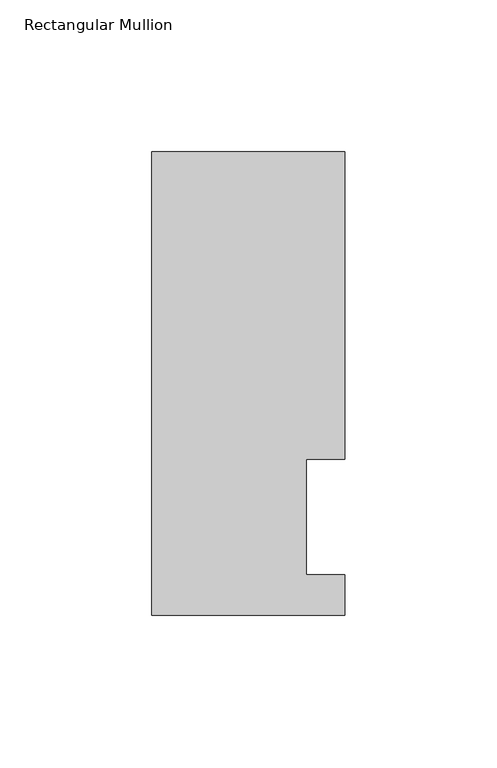
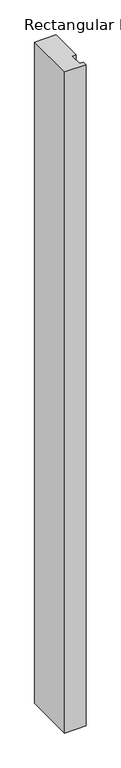
"""IFC4 building model written with IfcOpenShell, lengths in millimetres: member geometry, Rectangular Mullion."""

import ifcopenshell
import ifcopenshell.guid

model = None  # the IFC model being written
_history = None  # IfcOwnerHistory: only IFC2X3 demands one
_inside = {}  # id of a spatial element -> (the spatial element, [elements in it])
_under = {}  # id of a project, library or spatial element -> (it, [spatial elements below it])
_declared = {}  # id of a project -> (the project, [libraries it declares])
_typed = {}  # id of a type object -> (the type object, [elements of that type])
_made_of = {}  # id of a material, layer set ... -> (it, [elements and type objects made of it])


def new_model(schema):
    """Start an empty IFC model of exactly this schema.

    Asked for "IFC4X3", IfcOpenShell would pick the latest addendum, in which some entities
    have other attributes; the version numbers below select the first issue.
    IFC2X3 requires an IfcOwnerHistory on every rooted entity: one is made here for all.
    """
    global model, _history
    if schema == "IFC4X3":
        model = ifcopenshell.file(schema_version=(4, 3, 0, 0))
    else:
        model = ifcopenshell.file(schema=schema)
    _inside.clear()
    _under.clear()
    _declared.clear()
    _typed.clear()
    _made_of.clear()
    _history = None
    if model.schema == "IFC2X3":
        org = make("IfcOrganization", Name="unknown")
        user = make(
            "IfcPersonAndOrganization",
            ThePerson=make("IfcPerson", FamilyName="unknown"),
            TheOrganization=org,
        )
        app = make(
            "IfcApplication",
            ApplicationDeveloper=org,
            Version="unknown",
            ApplicationFullName="unknown",
            ApplicationIdentifier="unknown",
        )
        _history = make(
            "IfcOwnerHistory",
            OwningUser=user,
            OwningApplication=app,
            ChangeAction="ADDED",
            CreationDate=0,
        )
    return model


def make(cls, **values):
    """One entity of the class cls with the attributes given. An attribute that is None is left unset."""
    return model.create_entity(
        cls, **{name: value for name, value in values.items() if value is not None}
    )


def rooted(cls, **values):
    """An entity with a GlobalId (a new one), such as an element, a storey or a relation."""
    return make(cls, GlobalId=ifcopenshell.guid.new(), OwnerHistory=_history, **values)


def si_unit(unit_type, name, prefix=None):
    """IfcSIUnit, for example si_unit("LENGTHUNIT", "METRE", prefix="MILLI")."""
    return make("IfcSIUnit", UnitType=unit_type, Prefix=prefix, Name=name)


def assignment(units):
    """IfcUnitAssignment: the units of a project."""
    return None if units is None else make("IfcUnitAssignment", Units=units)


def point(xyz):
    """IfcCartesianPoint."""
    return None if xyz is None else make("IfcCartesianPoint", Coordinates=xyz)


def direction(xyz):
    """IfcDirection."""
    return None if xyz is None else make("IfcDirection", DirectionRatios=xyz)


def frame(location, z_axis=None, x_axis=None):
    """IfcAxis2Placement3D, a coordinate frame: its origin and axes. An axis left out is left unset."""
    return make(
        "IfcAxis2Placement3D",
        Location=point(location),
        Axis=direction(z_axis),
        RefDirection=direction(x_axis),
    )


def origin():
    """The frame at (0, 0, 0) with its axes left unset."""
    return frame((0.0, 0.0, 0.0))


def place(relative_to, where):
    """IfcLocalPlacement: puts the frame where relative to a parent placement (None: the world)."""
    return make(
        "IfcLocalPlacement", PlacementRelTo=relative_to, RelativePlacement=where
    )


def context(
    kind, dimensions, precision=None, world=None, true_north=None, identifier=None
):
    """IfcGeometricRepresentationContext, for example the 3D "Model" context."""
    return make(
        "IfcGeometricRepresentationContext",
        ContextIdentifier=identifier,
        ContextType=kind,
        CoordinateSpaceDimension=dimensions,
        Precision=precision,
        WorldCoordinateSystem=world,
        TrueNorth=true_north,
    )


def project(units=None, contexts=None):
    """IfcProject with its units and contexts."""
    return rooted(
        "IfcProject",
        Name="project",
        RepresentationContexts=contexts,
        UnitsInContext=assignment(units),
    )


def spatial(cls, under=None, at=None, **own):
    """A site, building, storey or space (cls), placed at a placement, below another one or the project."""
    s = rooted(cls, ObjectPlacement=at, **own)
    if under is not None:
        _under.setdefault(under.id(), (under, []))[1].append(s)
    return s


def polyline(points):
    """IfcPolyline through the points."""
    return make("IfcPolyline", Points=[point(p) for p in points])


def outline(outer, holes=None, kind="AREA"):
    """IfcArbitraryClosedProfileDef: a profile drawn as a closed curve; with holes, ...WithVoids."""
    if holes is None:
        return make("IfcArbitraryClosedProfileDef", ProfileType=kind, OuterCurve=outer)
    return make(
        "IfcArbitraryProfileDefWithVoids",
        ProfileType=kind,
        OuterCurve=outer,
        InnerCurves=holes,
    )


def extrude(swept, where, along, depth):
    """IfcExtrudedAreaSolid: the profile swept, set in the frame where, extruded along a direction by depth."""
    return make(
        "IfcExtrudedAreaSolid",
        SweptArea=swept,
        Position=where,
        ExtrudedDirection=direction(along),
        Depth=depth,
    )


def shape(context_of_items, identifier, shape_type, items):
    """IfcShapeRepresentation: the items that make up one representation, for example the "Body"."""
    return make(
        "IfcShapeRepresentation",
        ContextOfItems=context_of_items,
        RepresentationIdentifier=identifier,
        RepresentationType=shape_type,
        Items=items,
    )


def source(mapping_origin, context_of_items, identifier, shape_type, items):
    """IfcRepresentationMap: a shape defined once, which mapped items show again and again."""
    return make(
        "IfcRepresentationMap",
        MappingOrigin=mapping_origin,
        MappedRepresentation=shape(context_of_items, identifier, shape_type, items),
    )


def transform(
    local_origin,
    x_axis=None,
    y_axis=None,
    z_axis=None,
    scale=None,
    scale2=None,
    scale3=None,
    uniform=True,
):
    """IfcCartesianTransformationOperator3D, or its non-uniform kind. x_axis, y_axis, z_axis: its Axis1, 2, 3."""
    if uniform:
        return make(
            "IfcCartesianTransformationOperator3D",
            Axis1=direction(x_axis),
            Axis2=direction(y_axis),
            LocalOrigin=point(local_origin),
            Scale=scale,
            Axis3=direction(z_axis),
        )
    return make(
        "IfcCartesianTransformationOperator3DnonUniform",
        Axis1=direction(x_axis),
        Axis2=direction(y_axis),
        LocalOrigin=point(local_origin),
        Scale=scale,
        Axis3=direction(z_axis),
        Scale2=scale2,
        Scale3=scale3,
    )


def mapped(mapping_source, mapping_target):
    """IfcMappedItem: shows the shape of a source again, moved by a transform."""
    return make(
        "IfcMappedItem", MappingSource=mapping_source, MappingTarget=mapping_target
    )


def made_of(thing, what):
    """Note that an element or type object is made of a material, layer set ...; save() writes the relation."""
    if what is not None:
        _made_of.setdefault(what.id(), (what, []))[1].append(thing)
    return thing


def element(
    cls,
    number,
    at=None,
    inside=None,
    cuts=None,
    type_object=None,
    material=None,
    context=None,
    identifier="Body",
    shape_type=None,
    held_by="IfcProductDefinitionShape",
    body=None,
    shapes=None,
    **own,
):
    """One element of the class cls, such as IfcWall. Its Tag is "e" and its number.

    at: its placement. inside: the storey or other place that contains it. cuts: it is an
    opening in that element (IfcRelVoidsElement). A single representation is given by context,
    identifier, shape_type and body (its items); several are given by shapes. held_by: the class
    of the entity that holds the representations. save() writes the other relations.
    """
    e = rooted(cls, Tag="e%d" % number, ObjectPlacement=at, **own)
    if body is not None:
        shapes = [shape(context, identifier, shape_type, body)]
    if shapes is not None:
        e.Representation = make(held_by, Representations=shapes)
    if inside is not None:
        _inside.setdefault(inside.id(), (inside, []))[1].append(e)
    if cuts is not None:
        rooted(
            "IfcRelVoidsElement", RelatingBuildingElement=cuts, RelatedOpeningElement=e
        )
    if type_object is not None:
        _typed.setdefault(type_object.id(), (type_object, []))[1].append(e)
    return made_of(e, material)


def aggregate(whole, parts):
    """IfcRelAggregates: a whole, such as a stair, and the parts it consists of."""
    return rooted("IfcRelAggregates", RelatingObject=whole, RelatedObjects=parts)


def save(model, path):
    """Write the relations noted so far, then the file.

    IfcRelAggregates (storeys below a building ...), IfcRelContainedInSpatialStructure (elements
    in a storey), IfcRelDefinesByType, IfcRelAssociatesMaterial and IfcRelDeclares: one each for
    every whole, place, type object, material and project.
    """
    for whole, parts in _under.values():
        aggregate(whole, parts)
    for where, things in _inside.values():
        rooted(
            "IfcRelContainedInSpatialStructure",
            RelatedElements=things,
            RelatingStructure=where,
        )
    for kind, things in _typed.values():
        rooted("IfcRelDefinesByType", RelatedObjects=things, RelatingType=kind)
    for what, things in _made_of.values():
        rooted("IfcRelAssociatesMaterial", RelatedObjects=things, RelatingMaterial=what)
    for by, libraries in _declared.values():
        rooted("IfcRelDeclares", RelatingContext=by, RelatedDefinitions=libraries)
    model.write(path)


def rectangular_mullion_337e34dc(model_context):
    return source(origin(), model_context, "Body", "SweptSolid", [
        extrude(outline(polyline([(19.05, 51.6929687), (19.05, 13.5929688), (31.75, 13.5929688), (31.75, 0.4103688), (-31.75, 0.4103688), (-31.75, 152.8865688), (31.75, 152.8865688), (31.75, 51.6929687), (19.05, 51.6929687)])), frame((0.0, 0.0, -2057.4), z_axis=(0.0, 0.0, 1.0), x_axis=(1.0, 0.0, 0.0)), (0.0, 0.0, 1.0), 2057.4),
    ])


if __name__ == "__main__":
    model = new_model("IFC4")
    model_context = context("Model", 3, world=origin())
    ifc_project = project(units=[si_unit("LENGTHUNIT", "METRE", prefix="MILLI")], contexts=[model_context])
    site = spatial("IfcSite", under=ifc_project)
    building = spatial("IfcBuilding", under=site)
    placement = place(None, origin())
    rectangular_mullion_shape = rectangular_mullion_337e34dc(model_context)
    element("IfcMember", 1, ObjectType="Rectangular Mullion", at=placement, inside=building, context=model_context, shape_type="MappedRepresentation", body=[
        mapped(rectangular_mullion_shape, transform((0.0, 0.0, 0.0), x_axis=(1.0, 0.0, 0.0), y_axis=(0.0, 1.0, 0.0), z_axis=(0.0, 0.0, 1.0))),
    ])
    save(model, "model.ifc")
